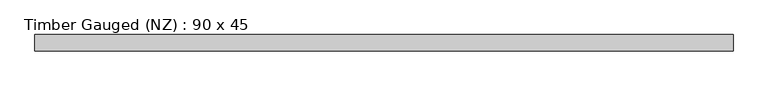
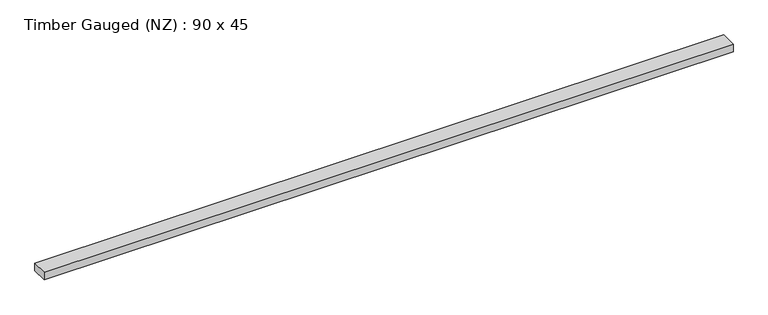
"""IFC4 building model written with IfcOpenShell, lengths in millimetres: beam geometry, Timber Gauged (NZ) : 90 x 45."""

from ifc_helpers import new_model, si_unit, frame, origin, place, context, project, spatial, polyline, outline, extrude, source, transform, mapped, element, save


def timber_gauged_nz_90_x_45_5bfac93a(model_context):
    return source(origin(), model_context, "Body", "SweptSolid", [
        extrude(outline(polyline([(1944.3169862, 45.0), (1944.3169862, -45.0), (-1912.9513159, -45.0), (-1912.9513159, 45.0), (1944.3169862, 45.0)])), frame((0.0, 0.0, -22.5), z_axis=(0.0, 0.0, 1.0), x_axis=(1.0, 0.0, 0.0)), (0.0, 0.0, 1.0), 45.0),
    ])


if __name__ == "__main__":
    model = new_model("IFC4")
    model_context = context("Model", 3, world=origin())
    ifc_project = project(units=[si_unit("LENGTHUNIT", "METRE", prefix="MILLI")], contexts=[model_context])
    site = spatial("IfcSite", under=ifc_project)
    building = spatial("IfcBuilding", under=site)
    placement = place(None, origin())
    timber_gauged_nz_90_x_45_shape = timber_gauged_nz_90_x_45_5bfac93a(model_context)
    element("IfcBeam", 1, ObjectType="Timber Gauged (NZ) : 90 x 45", at=placement, inside=building, context=model_context, shape_type="MappedRepresentation", body=[
        mapped(timber_gauged_nz_90_x_45_shape, transform((0.0, 0.0, 0.0), x_axis=(1.0, 0.0, 0.0), y_axis=(0.0, 1.0, 0.0), z_axis=(0.0, 0.0, 1.0))),
    ])
    save(model, "model.ifc")
